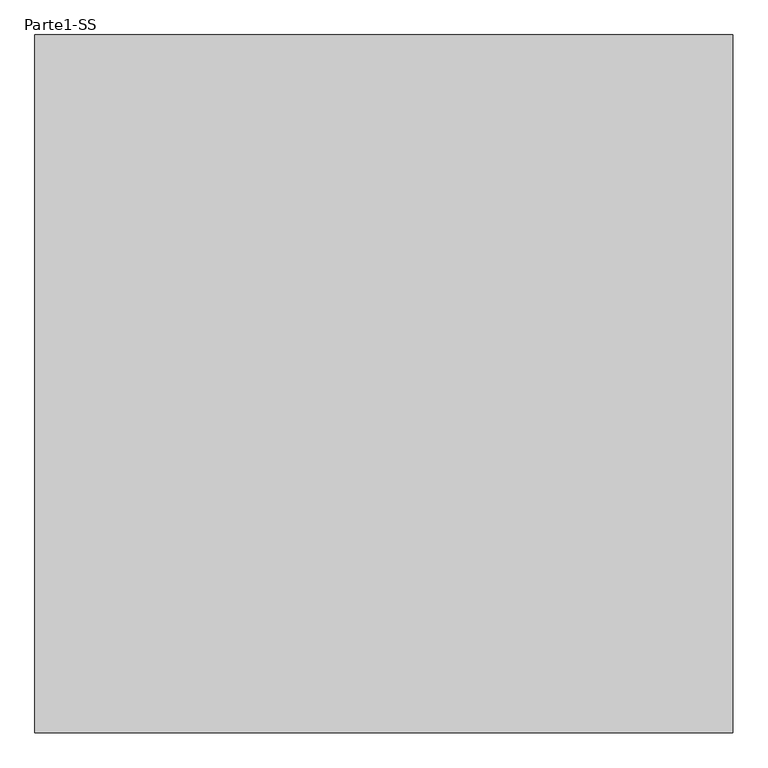
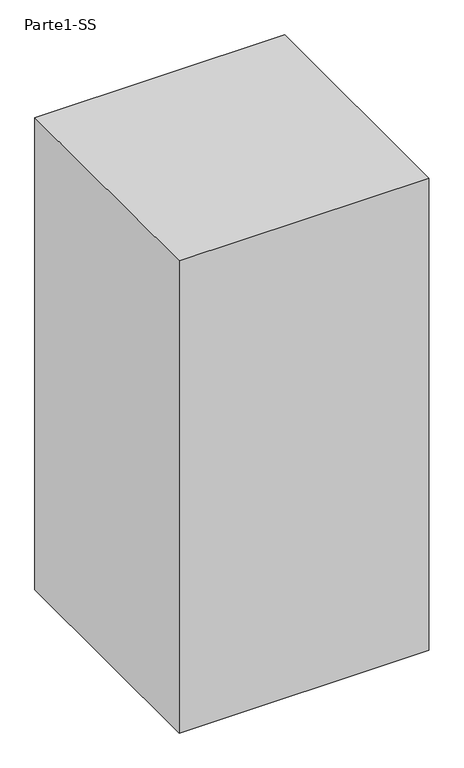
"""IFC4 building model written with IfcOpenShell, lengths in millimetres: proxy geometry, Parte1-SS."""

from ifc_helpers import new_model, si_unit, frame, origin, place, context, project, spatial, polyline, outline, extrude, source, transform, mapped, element, save


def parte1_ss_ce365381(model_context):
    return source(origin(), model_context, "Body", "SweptSolid", [
        extrude(outline(polyline([(10000.0, 10000.0), (10000.0, 0.0), (0.0, 0.0), (0.0, 10000.0), (10000.0, 10000.0)])), frame((0.0, 0.0, 5000.0), z_axis=(0.0, 0.0, 1.0), x_axis=(1.0, 0.0, 0.0)), (0.0, 0.0, 1.0), 20000.0),
    ])


if __name__ == "__main__":
    model = new_model("IFC4")
    model_context = context("Model", 3, world=origin())
    ifc_project = project(units=[si_unit("LENGTHUNIT", "METRE", prefix="MILLI")], contexts=[model_context])
    site = spatial("IfcSite", under=ifc_project)
    building = spatial("IfcBuilding", under=site)
    placement = place(None, origin())
    parte1_ss_shape = parte1_ss_ce365381(model_context)
    element("IfcBuildingElementProxy", 1, Name="Parte1-SS", ObjectType="Parte1-SS", at=placement, inside=building, context=model_context, shape_type="MappedRepresentation", body=[
        mapped(parte1_ss_shape, transform((0.0, 0.0, 0.0), x_axis=(1.0, 0.0, 0.0), y_axis=(0.0, 1.0, 0.0), z_axis=(0.0, 0.0, 1.0))),
    ])
    save(model, "model.ifc")
